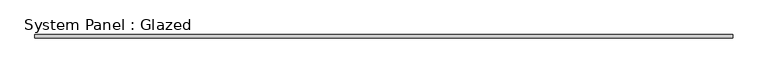
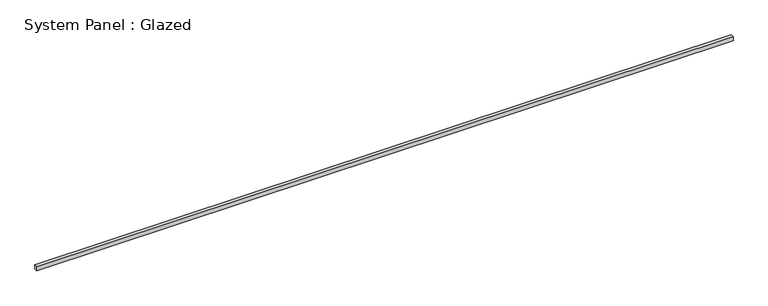
"""IFC4 building model written with IfcOpenShell, lengths in millimetres: plate geometry, System Panel : Glazed."""

from ifc_helpers import new_model, si_unit, origin, origin_with_axes, place, context, project, spatial, polyline, outline, extrude, source, transform, mapped, element, save


def system_panel_glazed_e885c127(model_context):
    return source(origin(), model_context, "Body", "SweptSolid", [
        extrude(outline(polyline([(2674.8175563, 25.4), (-2674.8175563, 25.4), (-2674.8175563, 50.8), (2674.8175563, 50.8), (2674.8175563, 25.4)])), origin_with_axes(), (0.0, 0.0, 1.0), 31.3255971),
    ])


if __name__ == "__main__":
    model = new_model("IFC4")
    model_context = context("Model", 3, world=origin())
    ifc_project = project(units=[si_unit("LENGTHUNIT", "METRE", prefix="MILLI")], contexts=[model_context])
    site = spatial("IfcSite", under=ifc_project)
    building = spatial("IfcBuilding", under=site)
    placement = place(None, origin())
    system_panel_glazed_shape = system_panel_glazed_e885c127(model_context)
    element("IfcPlate", 1, ObjectType="System Panel : Glazed", at=placement, inside=building, context=model_context, shape_type="MappedRepresentation", body=[
        mapped(system_panel_glazed_shape, transform((0.0, 0.0, 0.0), x_axis=(1.0, 0.0, 0.0), y_axis=(0.0, 1.0, 0.0), z_axis=(0.0, 0.0, 1.0))),
    ])
    save(model, "model.ifc")
